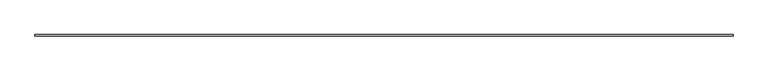
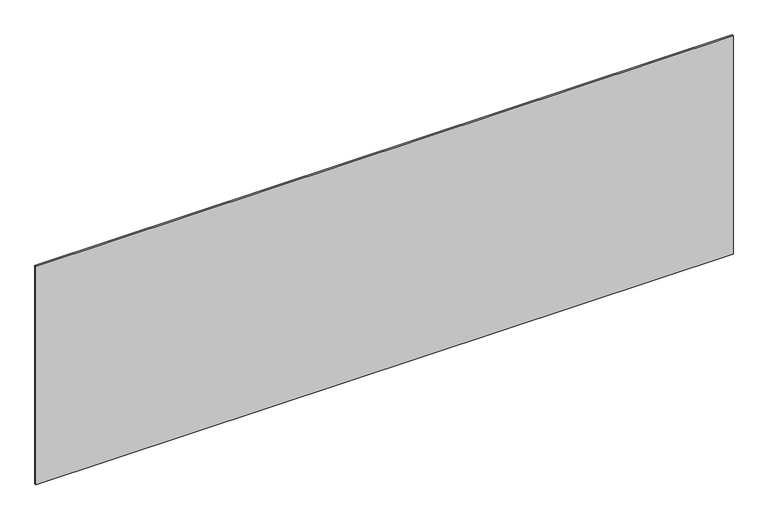
"""IFC4 building model written with IfcOpenShell, lengths in millimetres: plate geometry."""

from ifc_helpers import new_model, si_unit, origin, origin_with_axes, place, context, project, spatial, polyline, outline, extrude, source, transform, mapped, element, save


def plate_67e70ea2(model_context):
    return source(origin(), model_context, "Body", "SweptSolid", [
        extrude(outline(polyline([(2264.1666667, -5.0), (-2264.1666667, -5.0), (-2264.1666667, 5.0), (2264.1666667, 5.0), (2264.1666667, -5.0)])), origin_with_axes(), (0.0, 0.0, 1.0), 1501.0563962),
    ])


if __name__ == "__main__":
    model = new_model("IFC4")
    model_context = context("Model", 3, world=origin())
    ifc_project = project(units=[si_unit("LENGTHUNIT", "METRE", prefix="MILLI")], contexts=[model_context])
    site = spatial("IfcSite", under=ifc_project)
    building = spatial("IfcBuilding", under=site)
    placement = place(None, origin())
    plate_shape = plate_67e70ea2(model_context)
    element("IfcPlate", 1, at=placement, inside=building, context=model_context, shape_type="MappedRepresentation", body=[
        mapped(plate_shape, transform((0.0, 0.0, 0.0), x_axis=(1.0, 0.0, 0.0), y_axis=(0.0, 1.0, 0.0), z_axis=(0.0, 0.0, 1.0))),
    ])
    save(model, "model.ifc")
